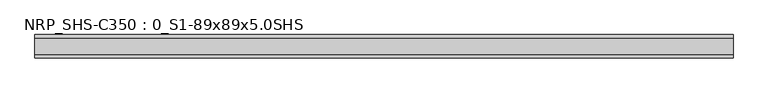
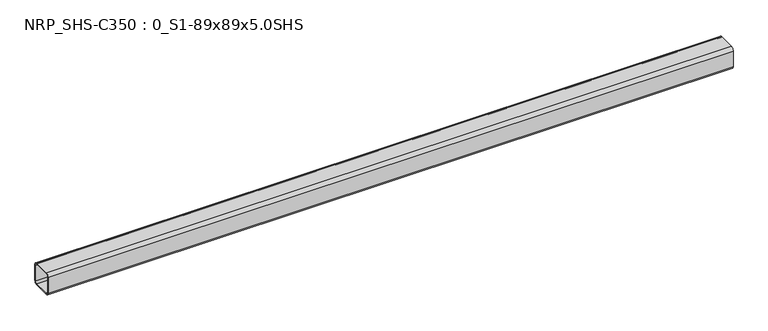
"""IFC4 building model written with IfcOpenShell, lengths in millimetres: beam geometry, NRP_SHS-C350 : 0_S1-89x89x5.0SHS."""

from ifc_helpers import new_model, si_unit, point, frame, frame_2d, origin, place, context, project, spatial, polyline, circle_curve, trimmed, segment, composite_curve, outline, extrude, source, transform, mapped, element, save


def nrp_shs_c350_0_s1_89x89x5_0shs_a6fb66ed(model_context):
    return source(origin(), model_context, "Body", "SweptSolid", [
        extrude(outline(composite_curve([segment(polyline([(44.5, 32.0), (44.5, -32.0)]), True, "CONTINUOUS"), segment(trimmed(circle_curve(frame_2d((32.0, -32.0)), 12.5), [point((44.5, -32.0))], [point((32.0, -44.5))], False, "CARTESIAN"), True, "CONTINUOUS"), segment(polyline([(32.0, -44.5), (-32.0, -44.5)]), True, "CONTINUOUS"), segment(trimmed(circle_curve(frame_2d((-32.0, -32.0)), 12.5), [point((-32.0, -44.5))], [point((-44.5, -32.0))], False, "CARTESIAN"), True, "CONTINUOUS"), segment(polyline([(-44.5, -32.0), (-44.5, 32.0)]), True, "CONTINUOUS"), segment(trimmed(circle_curve(frame_2d((-32.0, 32.0)), 12.5), [point((-44.5, 32.0))], [point((-32.0, 44.5))], False, "CARTESIAN"), True, "CONTINUOUS"), segment(polyline([(-32.0, 44.5), (32.0, 44.5)]), True, "CONTINUOUS"), segment(trimmed(circle_curve(frame_2d((32.0, 32.0)), 12.5), [point((32.0, 44.5))], [point((44.5, 32.0))], False, "CARTESIAN"), True, "CONTINUOUS")], self_intersect=False), holes=[composite_curve([segment(trimmed(circle_curve(frame_2d((-32.0, 32.0)), 7.5), [point((-32.0, 39.5))], [point((-39.5, 32.0))], True, "CARTESIAN"), True, "CONTINUOUS"), segment(polyline([(-39.5, 32.0), (-39.5, -32.0)]), True, "CONTINUOUS"), segment(trimmed(circle_curve(frame_2d((-32.0, -32.0)), 7.5), [point((-39.5, -32.0))], [point((-32.0, -39.5))], True, "CARTESIAN"), True, "CONTINUOUS"), segment(polyline([(-32.0, -39.5), (32.0, -39.5)]), True, "CONTINUOUS"), segment(trimmed(circle_curve(frame_2d((32.0, -32.0)), 7.5), [point((32.0, -39.5))], [point((39.5, -32.0))], True, "CARTESIAN"), True, "CONTINUOUS"), segment(polyline([(39.5, -32.0), (39.5, 32.0)]), True, "CONTINUOUS"), segment(trimmed(circle_curve(frame_2d((32.0, 32.0)), 7.5), [point((39.5, 32.0))], [point((32.0, 39.5))], True, "CARTESIAN"), True, "CONTINUOUS"), segment(polyline([(32.0, 39.5), (-32.0, 39.5)]), True, "CONTINUOUS")], self_intersect=False)]), frame((-1275.5, 0.0, 0.0), z_axis=(1.0, 0.0, 0.0), x_axis=(0.0, 1.0, 0.0)), (0.0, 0.0, 1.0), 2660.0),
    ])


if __name__ == "__main__":
    model = new_model("IFC4")
    model_context = context("Model", 3, world=origin())
    ifc_project = project(units=[si_unit("LENGTHUNIT", "METRE", prefix="MILLI")], contexts=[model_context])
    site = spatial("IfcSite", under=ifc_project)
    building = spatial("IfcBuilding", under=site)
    placement = place(None, origin())
    nrp_shs_c350_0_s1_89x89x5_0shs_shape = nrp_shs_c350_0_s1_89x89x5_0shs_a6fb66ed(model_context)
    element("IfcBeam", 1, ObjectType="NRP_SHS-C350 : 0_S1-89x89x5.0SHS", at=placement, inside=building, context=model_context, shape_type="MappedRepresentation", body=[
        mapped(nrp_shs_c350_0_s1_89x89x5_0shs_shape, transform((0.0, 0.0, 0.0), x_axis=(1.0, 0.0, 0.0), y_axis=(0.0, 1.0, 0.0), z_axis=(0.0, 0.0, 1.0))),
    ])
    save(model, "model.ifc")
